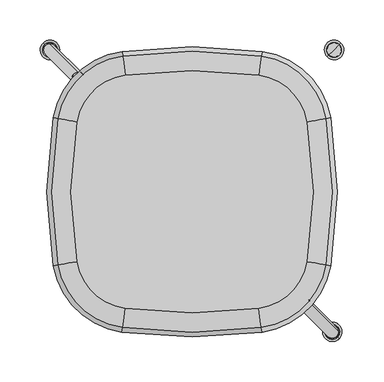
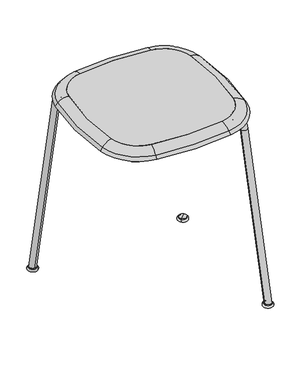
"""IFC4 building model written with IfcOpenShell, lengths in millimetres: furniture geometry."""

from ifc_helpers import new_model, si_unit, point, frame, frame_2d, origin, place, context, project, spatial, polyline, circle_curve, ellipse_curve, trimmed, segment, composite_curve, outline, extrude, source, transform, mapped, element, save
from ifc_brep_helpers import plane_surface, cylinder_surface, revolved_surface, advanced_brep


def furniture_9f4e836e(model_context):
    return source(origin(), model_context, "Body", "SolidModel", [
        extrude(outline(composite_curve([segment(trimmed(circle_curve(frame_2d((353.3430705, -0.0517762)), 503.5652092), [point((-142.6798177, -86.8804256))], [point((-142.6616259, 86.8807324))], False, "CARTESIAN"), True, "CONTINUOUS"), segment(trimmed(circle_curve(frame_2d((-72.7445454, 74.6266807)), 70.9828144), [point((-142.6616259, 86.8807324))], [point((-82.6892055, 144.9094216))], False, "CARTESIAN"), True, "CONTINUOUS"), segment(trimmed(circle_curve(frame_2d((0.015514, -439.5966644)), 590.3282436), [point((-82.6892055, 144.9094216))], [point((82.7202335, 144.9094216))], False, "CARTESIAN"), True, "CONTINUOUS"), segment(trimmed(circle_curve(frame_2d((72.7755734, 74.6266807)), 70.9828144), [point((82.7202335, 144.9094216))], [point((142.6926539, 86.8807324))], False, "CARTESIAN"), True, "CONTINUOUS"), segment(trimmed(circle_curve(frame_2d((-353.3120425, -0.0517762)), 503.5652092), [point((142.6926539, 86.8807324))], [point((142.7108457, -86.8804256))], False, "CARTESIAN"), True, "CONTINUOUS"), segment(trimmed(circle_curve(frame_2d((72.7912008, -74.6410139)), 70.9828144), [point((142.7108457, -86.8804256))], [point((82.7379969, -144.9234525))], False, "CARTESIAN"), True, "CONTINUOUS"), segment(trimmed(circle_curve(frame_2d((0.015514, 439.5801198)), 590.3282436), [point((82.7379969, -144.9234525))], [point((-82.7069689, -144.9234525))], False, "CARTESIAN"), True, "CONTINUOUS"), segment(trimmed(circle_curve(frame_2d((-72.7601728, -74.6410139)), 70.9828144), [point((-82.7069689, -144.9234525))], [point((-142.6798177, -86.8804256))], False, "CARTESIAN"), True, "CONTINUOUS")], self_intersect=False)), frame((0.0, 0.0, 464.9976849), z_axis=(0.0, 0.0, 1.0), x_axis=(1.0, 0.0, 0.0)), (0.0, 0.0, 1.0), 5.8841883),
        advanced_brep(
        [(85.4480497, -164.0722442, 456.7556558), (161.7607924, -90.2151127, 456.7556558), (167.1862386, -91.1648353, 449.4404949), (86.2198758, -169.5258416, 449.4404949), (83.1326925, -147.7123075, 464.9976849), (145.4853047, -87.3660937, 464.9976849), (82.7379969, -144.9234525, 470.8818732), (142.7108457, -86.8804256, 470.8818732), (142.7108457, -86.8804256, 464.9976849), (82.7379969, -144.9234525, 464.9976849), (86.0576622, -168.3796666, 459.975317), (166.0459801, -90.9652334, 459.975317), (86.9083619, -174.3905715, 452.882), (172.0258571, -92.012009, 452.882), (-85.4170217, -164.0722442, 456.7556558), (-86.1888478, -169.5258416, 449.4404949), (-83.1016645, -147.7123075, 464.9976849), (-82.7069689, -144.9234525, 470.8818732), (-82.7069689, -144.9234525, 464.9976849), (-86.0266342, -168.3796666, 459.975317), (-86.8773339, -174.3905715, 452.882), (-161.7297644, -90.2151127, 456.7556558), (-167.1552106, -91.1648353, 449.4404949), (-145.4542767, -87.3660937, 464.9976849), (-142.6798177, -86.8804256, 470.8818732), (-142.6798177, -86.8804256, 464.9976849), (-166.0149521, -90.9652334, 459.975317), (-171.9948291, -92.012009, 452.882), (-161.710874, 90.2194083, 456.7556558), (-167.1361213, 91.1702669, 449.4404949), (-145.4359833, 87.3669815, 464.9976849), (-142.6616259, 86.8807324, 470.8818732), (-142.6616259, 86.8807324, 464.9976849), (-165.9959046, 90.9704263, 459.975317), (-171.9755623, 92.0184539, 452.882), (-85.3986765, 164.0582956, 456.7556558), (-86.1703368, 169.5119164, 449.4404949), (-83.0838164, 147.6982885, 464.9976849), (-82.6892055, 144.9094216, 470.8818732), (-82.6892055, 144.9094216, 464.9976849), (-86.008158, 168.3657365, 459.975317), (-86.858675, 174.3766673, 452.882), (85.4297045, 164.0582956, 456.7556558), (86.2013648, 169.5119164, 449.4404949), (83.1148444, 147.6982885, 464.9976849), (82.7202335, 144.9094216, 470.8818732), (82.7202335, 144.9094216, 464.9976849), (86.039186, 168.3657365, 459.975317), (86.889703, 174.3766673, 452.882), (161.741902, 90.2194083, 456.7556558), (167.1671493, 91.1702669, 449.4404949), (145.4670112, 87.3669815, 464.9976849), (142.6926539, 86.8807324, 470.8818732), (142.6926539, 86.8807324, 464.9976849), (166.0269325, 90.9704263, 459.975317), (172.0065902, 92.0184539, 452.882)],
        [
            (0, 1, circle_curve(frame((72.7912008, -74.6410139, 456.7556558), z_axis=(0.0, 0.0, 1.0), x_axis=(0.9850221561837481, -0.17242781628008802, 0.0)), 90.3224268)),
            (1, 2),
            (2, 3, circle_curve(frame((72.7912008, -74.6410139, 449.4404949), z_axis=(0.0, 0.0, -1.0), x_axis=(0.9850221561837481, -0.17242781628008802, 0.0)), 95.8303701)),
            (3, 0),
            (4, 5, circle_curve(frame((72.7912008, -74.6410139, 464.9976849), z_axis=(0.0, 0.0, 1.0), x_axis=(0.9850221561837481, -0.17242781628008802, 0.0)), 73.7994607)),
            (5, 1, circle_curve(frame((145.4853047, -87.3660937, 444.3147045), z_axis=(0.17242781628008805, 0.9850221561837481, 0.0), x_axis=(0.9850221561837481, -0.17242781628008805, 0.0)), 20.6829804)),
            (0, 4, circle_curve(frame((83.1326925, -147.7123075, 444.3147045), z_axis=(-0.9901331651155495, -0.1401296376155459, 0.0), x_axis=(0.1401296376155459, -0.9901331651155495, 0.0)), 20.6829804)),
            (6, 7, circle_curve(frame((72.7912008, -74.6410139, 470.8818732), z_axis=(0.0, 0.0, 1.0), x_axis=(0.9850221561837481, -0.17242781628008802, 0.0)), 70.9828144)),
            (7, 8),
            (8, 9, circle_curve(frame((72.7912008, -74.6410139, 464.9976849), z_axis=(0.0, 0.0, -1.0), x_axis=(0.9850221561837481, -0.17242781628008802, 0.0)), 70.9828144)),
            (9, 6),
            (10, 11, circle_curve(frame((72.7912008, -74.6410139, 459.975317), z_axis=(0.0, 0.0, 1.0), x_axis=(0.9850221561837481, -0.17242781628008802, 0.0)), 94.6727733)),
            (11, 7, circle_curve(frame((142.7108457, -86.8804256, 439.7003018), z_axis=(-0.17242781628008805, -0.9850221561837481, 0.0), x_axis=(0.9850221561837481, -0.17242781628008805, 0.0)), 31.1815715)),
            (6, 10, circle_curve(frame((82.7379969, -144.9234525, 439.7003018), z_axis=(0.9901331651155482, 0.1401296376155543, 0.0), x_axis=(0.1401296376155543, -0.9901331651155482, 0.0)), 31.1815715)),
            (12, 13, circle_curve(frame((72.7912008, -74.6410139, 452.882), z_axis=(0.0, 0.0, 1.0), x_axis=(0.9850221561837481, -0.17242781628008802, 0.0)), 100.7435779)),
            (13, 11),
            (10, 12),
            (2, 13),
            (12, 3),
            (14, 0, circle_curve(frame((0.015514, 439.5801198, 456.7556558), z_axis=(0.0, 0.0, 1.0), x_axis=(0.14012963761551447, -0.9901331651155538, 0.0)), 609.6678561)),
            (3, 15, circle_curve(frame((0.015514, 439.5801198, 449.4404949), z_axis=(0.0, 0.0, -1.0), x_axis=(0.14012963761551447, -0.9901331651155538, 0.0)), 615.1757994)),
            (15, 14),
            (16, 4, circle_curve(frame((0.015514, 439.5801198, 464.9976849), z_axis=(0.0, 0.0, 1.0), x_axis=(0.14012963761551447, -0.9901331651155538, 0.0)), 593.14489)),
            (14, 16, circle_curve(frame((-83.1016645, -147.7123075, 444.3147045), z_axis=(-0.9901331651155546, 0.1401296376155089, 0.0), x_axis=(-0.1401296376155089, -0.9901331651155546, 0.0)), 20.6829804)),
            (17, 6, circle_curve(frame((0.015514, 439.5801198, 470.8818732), z_axis=(0.0, 0.0, 1.0), x_axis=(0.14012963761551447, -0.9901331651155538, 0.0)), 590.3282436)),
            (9, 18, circle_curve(frame((0.015514, 439.5801198, 464.9976849), z_axis=(0.0, 0.0, -1.0), x_axis=(0.14012963761551447, -0.9901331651155538, 0.0)), 590.3282436)),
            (18, 17),
            (19, 10, circle_curve(frame((0.015514, 439.5801198, 459.975317), z_axis=(0.0, 0.0, 1.0), x_axis=(0.14012963761551447, -0.9901331651155538, 0.0)), 614.0182026)),
            (17, 19, circle_curve(frame((-82.7069689, -144.9234525, 439.7003018), z_axis=(0.9901331651155547, -0.14012963761550745, 0.0), x_axis=(-0.14012963761550745, -0.9901331651155547, 0.0)), 31.1815715)),
            (20, 12, circle_curve(frame((0.015514, 439.5801198, 452.882), z_axis=(0.0, 0.0, 1.0), x_axis=(0.14012963761551447, -0.9901331651155538, 0.0)), 620.0890072)),
            (19, 20),
            (20, 15),
            (21, 14, circle_curve(frame((-72.7601728, -74.6410139, 456.7556558), z_axis=(0.0, 0.0, 1.0), x_axis=(-0.14012963761555394, -0.9901331651155483, 0.0)), 90.3224268)),
            (15, 22, circle_curve(frame((-72.7601728, -74.6410139, 449.4404949), z_axis=(0.0, 0.0, -1.0), x_axis=(-0.14012963761555394, -0.9901331651155483, 0.0)), 95.8303701)),
            (22, 21),
            (23, 16, circle_curve(frame((-72.7601728, -74.6410139, 464.9976849), z_axis=(0.0, 0.0, 1.0), x_axis=(-0.14012963761555394, -0.9901331651155483, 0.0)), 73.7994607)),
            (21, 23, circle_curve(frame((-145.4542767, -87.3660937, 444.3147045), z_axis=(-0.17242781628017315, 0.9850221561837332, 0.0), x_axis=(-0.9850221561837332, -0.17242781628017315, 0.0)), 20.6829804)),
            (24, 17, circle_curve(frame((-72.7601728, -74.6410139, 470.8818732), z_axis=(0.0, 0.0, 1.0), x_axis=(-0.14012963761555394, -0.9901331651155483, 0.0)), 70.9828144)),
            (18, 25, circle_curve(frame((-72.7601728, -74.6410139, 464.9976849), z_axis=(0.0, 0.0, -1.0), x_axis=(-0.14012963761555394, -0.9901331651155483, 0.0)), 70.9828144)),
            (25, 24),
            (26, 19, circle_curve(frame((-72.7601728, -74.6410139, 459.975317), z_axis=(0.0, 0.0, 1.0), x_axis=(-0.14012963761555394, -0.9901331651155483, 0.0)), 94.6727733)),
            (24, 26, circle_curve(frame((-142.6798177, -86.8804256, 439.7003018), z_axis=(0.17242781628018236, -0.9850221561837316, 0.0), x_axis=(-0.9850221561837316, -0.17242781628018236, 0.0)), 31.1815715)),
            (27, 20, circle_curve(frame((-72.7601728, -74.6410139, 452.882), z_axis=(0.0, 0.0, 1.0), x_axis=(-0.14012963761555394, -0.9901331651155483, 0.0)), 100.7435779)),
            (26, 27),
            (27, 22),
            (28, 21, circle_curve(frame((353.3430705, -0.0517762, 456.7556558), z_axis=(0.0, 0.0, 1.0), x_axis=(-0.9850221561837392, -0.17242781628013887, 0.0)), 522.9048216)),
            (22, 29, circle_curve(frame((353.3430705, -0.0517762, 449.4404949), z_axis=(0.0, 0.0, -1.0), x_axis=(-0.9850221561837392, -0.17242781628013887, 0.0)), 528.412765)),
            (29, 28),
            (30, 23, circle_curve(frame((353.3430705, -0.0517762, 464.9976849), z_axis=(0.0, 0.0, 1.0), x_axis=(-0.9850221561837392, -0.17242781628013887, 0.0)), 506.3818555)),
            (28, 30, circle_curve(frame((-145.4359833, 87.3669815, 444.3147045), z_axis=(0.1726340640499747, 0.9849860303220495, 0.0), x_axis=(-0.9849860303220495, 0.1726340640499747, 0.0)), 20.6829804)),
            (31, 24, circle_curve(frame((353.3430705, -0.0517762, 470.8818732), z_axis=(0.0, 0.0, 1.0), x_axis=(-0.9850221561837392, -0.17242781628013887, 0.0)), 503.5652092)),
            (25, 32, circle_curve(frame((353.3430705, -0.0517762, 464.9976849), z_axis=(0.0, 0.0, -1.0), x_axis=(-0.9850221561837392, -0.17242781628013887, 0.0)), 503.5652092)),
            (32, 31),
            (33, 26, circle_curve(frame((353.3430705, -0.0517762, 459.975317), z_axis=(0.0, 0.0, 1.0), x_axis=(-0.9850221561837392, -0.17242781628013887, 0.0)), 527.2551681)),
            (31, 33, circle_curve(frame((-142.6616259, 86.8807324, 439.7003018), z_axis=(-0.1726340640499735, -0.9849860303220497, 0.0), x_axis=(-0.9849860303220497, 0.1726340640499735, 0.0)), 31.1815715)),
            (34, 27, circle_curve(frame((353.3430705, -0.0517762, 452.882), z_axis=(0.0, 0.0, 1.0), x_axis=(-0.9850221561837392, -0.17242781628013887, 0.0)), 533.3259727)),
            (33, 34),
            (34, 29),
            (35, 28, circle_curve(frame((-72.7445454, 74.6266807, 456.7556558), z_axis=(0.0, 0.0, 1.0), x_axis=(-0.9849860303220442, 0.1726340640500041, 0.0)), 90.3224268)),
            (29, 36, circle_curve(frame((-72.7445454, 74.6266807, 449.4404949), z_axis=(0.0, 0.0, -1.0), x_axis=(-0.9849860303220442, 0.1726340640500041, 0.0)), 95.8303701)),
            (36, 35),
            (37, 30, circle_curve(frame((-72.7445454, 74.6266807, 464.9976849), z_axis=(0.0, 0.0, 1.0), x_axis=(-0.9849860303220442, 0.1726340640500041, 0.0)), 73.7994607)),
            (35, 37, circle_curve(frame((-83.0838164, 147.6982885, 444.3147045), z_axis=(0.9901374232519374, 0.1400995470228706, 0.0), x_axis=(-0.1400995470228706, 0.9901374232519374, 0.0)), 20.6829804)),
            (38, 31, circle_curve(frame((-72.7445454, 74.6266807, 470.8818732), z_axis=(0.0, 0.0, 1.0), x_axis=(-0.9849860303220442, 0.1726340640500041, 0.0)), 70.9828144)),
            (32, 39, circle_curve(frame((-72.7445454, 74.6266807, 464.9976849), z_axis=(0.0, 0.0, -1.0), x_axis=(-0.9849860303220442, 0.1726340640500041, 0.0)), 70.9828144)),
            (39, 38),
            (40, 33, circle_curve(frame((-72.7445454, 74.6266807, 459.975317), z_axis=(0.0, 0.0, 1.0), x_axis=(-0.9849860303220442, 0.1726340640500041, 0.0)), 94.6727733)),
            (38, 40, circle_curve(frame((-82.6892055, 144.9094216, 439.7003018), z_axis=(-0.9901374232519363, -0.14009954702287847, 0.0), x_axis=(-0.14009954702287847, 0.9901374232519363, 0.0)), 31.1815715)),
            (41, 34, circle_curve(frame((-72.7445454, 74.6266807, 452.882), z_axis=(0.0, 0.0, 1.0), x_axis=(-0.9849860303220442, 0.1726340640500041, 0.0)), 100.7435779)),
            (40, 41),
            (41, 36),
            (42, 35, circle_curve(frame((0.015514, -439.5966644, 456.7556558), z_axis=(0.0, 0.0, 1.0), x_axis=(-0.14009954702284055, 0.9901374232519418, 0.0)), 609.6678561)),
            (36, 43, circle_curve(frame((0.015514, -439.5966644, 449.4404949), z_axis=(0.0, 0.0, -1.0), x_axis=(-0.14009954702284055, 0.9901374232519418, 0.0)), 615.1757994)),
            (43, 42),
            (44, 37, circle_curve(frame((0.015514, -439.5966644, 464.9976849), z_axis=(0.0, 0.0, 1.0), x_axis=(-0.14009954702284055, 0.9901374232519418, 0.0)), 593.14489)),
            (42, 44, circle_curve(frame((83.1148444, 147.6982885, 444.3147045), z_axis=(0.9901374232519425, -0.14009954702283503, 0.0), x_axis=(0.14009954702283503, 0.9901374232519425, 0.0)), 20.6829804)),
            (45, 38, circle_curve(frame((0.015514, -439.5966644, 470.8818732), z_axis=(0.0, 0.0, 1.0), x_axis=(-0.14009954702284055, 0.9901374232519418, 0.0)), 590.3282436)),
            (39, 46, circle_curve(frame((0.015514, -439.5966644, 464.9976849), z_axis=(0.0, 0.0, -1.0), x_axis=(-0.14009954702284055, 0.9901374232519418, 0.0)), 590.3282436)),
            (46, 45),
            (47, 40, circle_curve(frame((0.015514, -439.5966644, 459.975317), z_axis=(0.0, 0.0, 1.0), x_axis=(-0.14009954702284055, 0.9901374232519418, 0.0)), 614.0182026)),
            (45, 47, circle_curve(frame((82.7202335, 144.9094216, 439.7003018), z_axis=(-0.9901374232519422, 0.14009954702283683, 0.0), x_axis=(0.14009954702283683, 0.9901374232519422, 0.0)), 31.1815715)),
            (48, 41, circle_curve(frame((0.015514, -439.5966644, 452.882), z_axis=(0.0, 0.0, 1.0), x_axis=(-0.14009954702284055, 0.9901374232519418, 0.0)), 620.0890072)),
            (47, 48),
            (48, 43),
            (49, 42, circle_curve(frame((72.7755734, 74.6266807, 456.7556558), z_axis=(0.0, 0.0, 1.0), x_axis=(0.1400995470227848, 0.9901374232519496, 0.0)), 90.3224268)),
            (43, 50, circle_curve(frame((72.7755734, 74.6266807, 449.4404949), z_axis=(0.0, 0.0, -1.0), x_axis=(0.1400995470227848, 0.9901374232519496, 0.0)), 95.8303701)),
            (50, 49),
            (51, 44, circle_curve(frame((72.7755734, 74.6266807, 464.9976849), z_axis=(0.0, 0.0, 1.0), x_axis=(0.1400995470227848, 0.9901374232519496, 0.0)), 73.7994607)),
            (49, 51, circle_curve(frame((145.4670112, 87.3669815, 444.3147045), z_axis=(0.17263406405000353, -0.9849860303220442, 0.0), x_axis=(0.9849860303220442, 0.17263406405000353, 0.0)), 20.6829804)),
            (52, 45, circle_curve(frame((72.7755734, 74.6266807, 470.8818732), z_axis=(0.0, 0.0, 1.0), x_axis=(0.1400995470227848, 0.9901374232519496, 0.0)), 70.9828144)),
            (46, 53, circle_curve(frame((72.7755734, 74.6266807, 464.9976849), z_axis=(0.0, 0.0, -1.0), x_axis=(0.1400995470227848, 0.9901374232519496, 0.0)), 70.9828144)),
            (53, 52),
            (54, 47, circle_curve(frame((72.7755734, 74.6266807, 459.975317), z_axis=(0.0, 0.0, 1.0), x_axis=(0.1400995470227848, 0.9901374232519496, 0.0)), 94.6727733)),
            (52, 54, circle_curve(frame((142.6926539, 86.8807324, 439.7003018), z_axis=(-0.17263406405001167, 0.9849860303220429, 0.0), x_axis=(0.9849860303220429, 0.17263406405001167, 0.0)), 31.1815715)),
            (55, 48, circle_curve(frame((72.7755734, 74.6266807, 452.882), z_axis=(0.0, 0.0, 1.0), x_axis=(0.1400995470227848, 0.9901374232519496, 0.0)), 100.7435779)),
            (54, 55),
            (55, 50),
            (1, 49, circle_curve(frame((-353.3120425, -0.0517762, 456.7556558), z_axis=(0.0, 0.0, 1.0), x_axis=(0.9849860303220497, 0.17263406404997295, 0.0)), 522.9048216)),
            (50, 2, circle_curve(frame((-353.3120425, -0.0517762, 449.4404949), z_axis=(0.0, 0.0, -1.0), x_axis=(0.9849860303220497, 0.17263406404997295, 0.0)), 528.412765)),
            (5, 51, circle_curve(frame((-353.3120425, -0.0517762, 464.9976849), z_axis=(0.0, 0.0, 1.0), x_axis=(0.9849860303220497, 0.17263406404997295, 0.0)), 506.3818555)),
            (8, 53, circle_curve(frame((-353.3120425, -0.0517762, 464.9976849), z_axis=(0.0, 0.0, 1.0), x_axis=(0.9849860303220497, 0.17263406404997295, 0.0)), 503.5652092)),
            (7, 52, circle_curve(frame((-353.3120425, -0.0517762, 470.8818732), z_axis=(0.0, 0.0, 1.0), x_axis=(0.9849860303220497, 0.17263406404997295, 0.0)), 503.5652092)),
            (11, 54, circle_curve(frame((-353.3120425, -0.0517762, 459.975317), z_axis=(0.0, 0.0, 1.0), x_axis=(0.9849860303220497, 0.17263406404997295, 0.0)), 527.2551681)),
            (13, 55, circle_curve(frame((-353.3120425, -0.0517762, 452.882), z_axis=(0.0, 0.0, 1.0), x_axis=(0.9849860303220497, 0.17263406404997295, 0.0)), 533.3259727)),
        ],
        [
            revolved_surface(polyline([(167.1862386, -91.1648353, 449.4404949), (161.7607924, -90.2151127, 456.7556558)]), (72.7912008, -74.6410139, 452.882), (0.0, 0.0, -1.0)),
            revolved_surface(trimmed(ellipse_curve(frame((145.4853047, -87.3660937, 444.3147045), z_axis=(-0.17242781628008805, -0.9850221561837481, 0.0), x_axis=(0.9850221561837481, -0.17242781628008805, 0.0)), 20.6829804, 20.6829804), [point((161.7607924, -90.2151127, 456.7556558))], [point((145.4853047, -87.3660937, 464.9976849))], True, "CARTESIAN"), (72.7912008, -74.6410139, 452.882), (0.0, 0.0, -1.0)),
            revolved_surface(polyline([(142.71084569227878, -86.8804255804068, 464.9976849), (142.71084569227878, -86.8804255804068, 470.8818732)]), (72.7912008, -74.6410139, 452.882), (0.0, 0.0, -1.0)),
            revolved_surface(trimmed(ellipse_curve(frame((142.7108457, -86.8804256, 439.7003018), z_axis=(0.17242781628008805, 0.9850221561837481, 0.0), x_axis=(0.9850221561837481, -0.17242781628008805, 0.0)), 31.1815715, 31.1815715), [point((142.7108457, -86.8804256, 470.8818732))], [point((166.0459801, -90.9652334, 459.975317))], True, "CARTESIAN"), (72.7912008, -74.6410139, 452.882), (0.0, 0.0, -1.0)),
            revolved_surface(polyline([(166.0459801, -90.9652334, 459.975317), (172.0258571, -92.012009, 452.882)]), (72.7912008, -74.6410139, 452.882), (0.0, 0.0, -1.0)),
            revolved_surface(polyline([(172.0258571, -92.012009, 452.882), (167.1862386, -91.1648353, 449.4404949)]), (72.7912008, -74.6410139, 452.882), (0.0, 0.0, -1.0)),
            revolved_surface(polyline([(86.2198758, -169.5258416, 449.4404949), (85.4480497, -164.0722442, 456.7556558)]), (0.015514, 439.5801198, 452.882), (0.0, 0.0, -1.0)),
            revolved_surface(trimmed(ellipse_curve(frame((83.1326925, -147.7123075, 444.3147045), z_axis=(-0.9901331651155538, -0.14012963761551447, 0.0), x_axis=(0.14012963761551447, -0.9901331651155538, 0.0)), 20.6829804, 20.6829804), [point((85.4480497, -164.0722442, 456.7556558))], [point((83.1326925, -147.7123075, 464.9976849))], True, "CARTESIAN"), (0.015514, 439.5801198, 452.882), (0.0, 0.0, -1.0)),
            revolved_surface(polyline([(82.73799684987114, -144.9234524927736, 464.9976849), (82.73799684987114, -144.9234524927736, 470.8818732)]), (0.015514, 439.5801198, 452.882), (0.0, 0.0, -1.0)),
            revolved_surface(trimmed(ellipse_curve(frame((82.7379969, -144.9234525, 439.7003018), z_axis=(0.9901331651155538, 0.14012963761551447, 0.0), x_axis=(0.14012963761551447, -0.9901331651155538, 0.0)), 31.1815715, 31.1815715), [point((82.7379969, -144.9234525, 470.8818732))], [point((86.0576622, -168.3796666, 459.975317))], True, "CARTESIAN"), (0.015514, 439.5801198, 452.882), (0.0, 0.0, -1.0)),
            revolved_surface(polyline([(86.0576622, -168.3796666, 459.975317), (86.9083619, -174.3905715, 452.882)]), (0.015514, 439.5801198, 452.882), (0.0, 0.0, -1.0)),
            revolved_surface(polyline([(86.9083619, -174.3905715, 452.882), (86.2198758, -169.5258416, 449.4404949)]), (0.015514, 439.5801198, 452.882), (0.0, 0.0, -1.0)),
            revolved_surface(polyline([(-86.1888478, -169.5258416, 449.4404949), (-85.4170217, -164.0722442, 456.7556558)]), (-72.7601728, -74.6410139, 452.882), (0.0, 0.0, -1.0)),
            revolved_surface(trimmed(ellipse_curve(frame((-83.1016645, -147.7123075, 444.3147045), z_axis=(-0.9901331651155483, 0.140129637615554, 0.0), x_axis=(-0.140129637615554, -0.9901331651155483, 0.0)), 20.6829804, 20.6829804), [point((-85.4170217, -164.0722442, 456.7556558))], [point((-83.1016645, -147.7123075, 464.9976849))], True, "CARTESIAN"), (-72.7601728, -74.6410139, 452.882), (0.0, 0.0, -1.0)),
            revolved_surface(polyline([(-82.70696885880413, -144.9234525906815, 464.9976849), (-82.70696885880413, -144.9234525906815, 470.8818732)]), (-72.7601728, -74.6410139, 452.882), (0.0, 0.0, -1.0)),
            revolved_surface(trimmed(ellipse_curve(frame((-82.7069689, -144.9234525, 439.7003018), z_axis=(0.9901331651155483, -0.140129637615554, 0.0), x_axis=(-0.140129637615554, -0.9901331651155483, 0.0)), 31.1815715, 31.1815715), [point((-82.7069689, -144.9234525, 470.8818732))], [point((-86.0266342, -168.3796666, 459.975317))], True, "CARTESIAN"), (-72.7601728, -74.6410139, 452.882), (0.0, 0.0, -1.0)),
            revolved_surface(polyline([(-86.0266342, -168.3796666, 459.975317), (-86.8773339, -174.3905715, 452.882)]), (-72.7601728, -74.6410139, 452.882), (0.0, 0.0, -1.0)),
            revolved_surface(polyline([(-86.8773339, -174.3905715, 452.882), (-86.1888478, -169.5258416, 449.4404949)]), (-72.7601728, -74.6410139, 452.882), (0.0, 0.0, -1.0)),
            revolved_surface(polyline([(-167.1552106, -91.1648353, 449.4404949), (-161.7297644, -90.2151127, 456.7556558)]), (353.3430705, -0.0517762, 452.882), (0.0, 0.0, -1.0)),
            revolved_surface(trimmed(ellipse_curve(frame((-145.4542767, -87.3660937, 444.3147045), z_axis=(-0.17242781628013873, 0.9850221561837392, 0.0), x_axis=(-0.9850221561837392, -0.17242781628013873, 0.0)), 20.6829804, 20.6829804), [point((-161.7297644, -90.2151127, 456.7556558))], [point((-145.4542767, -87.3660937, 464.9976849))], True, "CARTESIAN"), (353.3430705, -0.0517762, 452.882), (0.0, 0.0, -1.0)),
            revolved_surface(polyline([(-142.67981764529975, -86.8804255770073, 464.9976849), (-142.67981764529975, -86.8804255770073, 470.8818732)]), (353.3430705, -0.0517762, 452.882), (0.0, 0.0, -1.0)),
            revolved_surface(trimmed(ellipse_curve(frame((-142.6798177, -86.8804256, 439.7003018), z_axis=(0.17242781628013873, -0.9850221561837392, 0.0), x_axis=(-0.9850221561837392, -0.17242781628013873, 0.0)), 31.1815715, 31.1815715), [point((-142.6798177, -86.8804256, 470.8818732))], [point((-166.0149521, -90.9652334, 459.975317))], True, "CARTESIAN"), (353.3430705, -0.0517762, 452.882), (0.0, 0.0, -1.0)),
            revolved_surface(polyline([(-166.0149521, -90.9652334, 459.975317), (-171.9948291, -92.012009, 452.882)]), (353.3430705, -0.0517762, 452.882), (0.0, 0.0, -1.0)),
            revolved_surface(polyline([(-171.9948291, -92.012009, 452.882), (-167.1552106, -91.1648353, 449.4404949)]), (353.3430705, -0.0517762, 452.882), (0.0, 0.0, -1.0)),
            revolved_surface(polyline([(-167.1361213, 91.1702669, 449.4404949), (-161.710874, 90.2194083, 456.7556558)]), (-72.7445454, 74.6266807, 452.882), (0.0, 0.0, -1.0)),
            revolved_surface(trimmed(ellipse_curve(frame((-145.4359833, 87.3669815, 444.3147045), z_axis=(0.1726340640500042, 0.9849860303220442, 0.0), x_axis=(-0.9849860303220442, 0.1726340640500042, 0.0)), 20.6829804, 20.6829804), [point((-161.710874, 90.2194083, 456.7556558))], [point((-145.4359833, 87.3669815, 464.9976849))], True, "CARTESIAN"), (-72.7445454, 74.6266807, 452.882), (0.0, 0.0, -1.0)),
            revolved_surface(polyline([(-142.66162597694245, 86.88073242757915, 464.9976849), (-142.66162597694245, 86.88073242757915, 470.8818732)]), (-72.7445454, 74.6266807, 452.882), (0.0, 0.0, -1.0)),
            revolved_surface(trimmed(ellipse_curve(frame((-142.6616259, 86.8807324, 439.7003018), z_axis=(-0.1726340640500042, -0.9849860303220442, 0.0), x_axis=(-0.9849860303220442, 0.1726340640500042, 0.0)), 31.1815715, 31.1815715), [point((-142.6616259, 86.8807324, 470.8818732))], [point((-165.9959046, 90.9704263, 459.975317))], True, "CARTESIAN"), (-72.7445454, 74.6266807, 452.882), (0.0, 0.0, -1.0)),
            revolved_surface(polyline([(-165.9959046, 90.9704263, 459.975317), (-171.9755623, 92.0184539, 452.882)]), (-72.7445454, 74.6266807, 452.882), (0.0, 0.0, -1.0)),
            revolved_surface(polyline([(-171.9755623, 92.0184539, 452.882), (-167.1361213, 91.1702669, 449.4404949)]), (-72.7445454, 74.6266807, 452.882), (0.0, 0.0, -1.0)),
            revolved_surface(polyline([(-86.1703368, 169.5119164, 449.4404949), (-85.3986765, 164.0582956, 456.7556558)]), (0.015514, -439.5966644, 452.882), (0.0, 0.0, -1.0)),
            revolved_surface(trimmed(ellipse_curve(frame((-83.0838164, 147.6982885, 444.3147045), z_axis=(0.9901374232519418, 0.14009954702284047, 0.0), x_axis=(-0.14009954702284047, 0.9901374232519418, 0.0)), 20.6829804, 20.6829804), [point((-85.3986765, 164.0582956, 456.7556558))], [point((-83.0838164, 147.6982885, 464.9976849))], True, "CARTESIAN"), (0.015514, -439.5966644, 452.882), (0.0, 0.0, -1.0)),
            revolved_surface(polyline([(-82.68920552314907, 144.90942159094857, 464.9976849), (-82.68920552314907, 144.90942159094857, 470.8818732)]), (0.015514, -439.5966644, 452.882), (0.0, 0.0, -1.0)),
            revolved_surface(trimmed(ellipse_curve(frame((-82.6892055, 144.9094216, 439.7003018), z_axis=(-0.9901374232519418, -0.14009954702284047, 0.0), x_axis=(-0.14009954702284047, 0.9901374232519418, 0.0)), 31.1815715, 31.1815715), [point((-82.6892055, 144.9094216, 470.8818732))], [point((-86.008158, 168.3657365, 459.975317))], True, "CARTESIAN"), (0.015514, -439.5966644, 452.882), (0.0, 0.0, -1.0)),
            revolved_surface(polyline([(-86.008158, 168.3657365, 459.975317), (-86.858675, 174.3766673, 452.882)]), (0.015514, -439.5966644, 452.882), (0.0, 0.0, -1.0)),
            revolved_surface(polyline([(-86.858675, 174.3766673, 452.882), (-86.1703368, 169.5119164, 449.4404949)]), (0.015514, -439.5966644, 452.882), (0.0, 0.0, -1.0)),
            revolved_surface(polyline([(86.2013648, 169.5119164, 449.4404949), (85.4297045, 164.0582956, 456.7556558)]), (72.7755734, 74.6266807, 452.882), (0.0, 0.0, -1.0)),
            revolved_surface(trimmed(ellipse_curve(frame((83.1148444, 147.6982885, 444.3147045), z_axis=(0.9901374232519496, -0.14009954702278485, 0.0), x_axis=(0.14009954702278485, 0.9901374232519496, 0.0)), 20.6829804, 20.6829804), [point((85.4297045, 164.0582956, 456.7556558))], [point((83.1148444, 147.6982885, 464.9976849))], True, "CARTESIAN"), (72.7755734, 74.6266807, 452.882), (0.0, 0.0, -1.0)),
            revolved_surface(polyline([(82.7202335438424, 144.90942164518736, 464.9976849), (82.7202335438424, 144.90942164518736, 470.8818732)]), (72.7755734, 74.6266807, 452.882), (0.0, 0.0, -1.0)),
            revolved_surface(trimmed(ellipse_curve(frame((82.7202335, 144.9094216, 439.7003018), z_axis=(-0.9901374232519496, 0.14009954702278485, 0.0), x_axis=(0.14009954702278485, 0.9901374232519496, 0.0)), 31.1815715, 31.1815715), [point((82.7202335, 144.9094216, 470.8818732))], [point((86.039186, 168.3657365, 459.975317))], True, "CARTESIAN"), (72.7755734, 74.6266807, 452.882), (0.0, 0.0, -1.0)),
            revolved_surface(polyline([(86.039186, 168.3657365, 459.975317), (86.889703, 174.3766673, 452.882)]), (72.7755734, 74.6266807, 452.882), (0.0, 0.0, -1.0)),
            revolved_surface(polyline([(86.889703, 174.3766673, 452.882), (86.2013648, 169.5119164, 449.4404949)]), (72.7755734, 74.6266807, 452.882), (0.0, 0.0, -1.0)),
            revolved_surface(polyline([(167.1671493, 91.1702669, 449.4404949), (161.741902, 90.2194083, 456.7556558)]), (-353.3120425, -0.0517762, 452.882), (0.0, 0.0, -1.0)),
            revolved_surface(trimmed(ellipse_curve(frame((145.4670112, 87.3669815, 444.3147045), z_axis=(0.17263406404997292, -0.9849860303220497, 0.0), x_axis=(0.9849860303220497, 0.17263406404997292, 0.0)), 20.6829804, 20.6829804), [point((161.741902, 90.2194083, 456.7556558))], [point((145.4670112, 87.3669815, 464.9976849))], True, "CARTESIAN"), (-353.3120425, -0.0517762, 452.882), (0.0, 0.0, -1.0)),
            plane_surface(frame((-353.3120425, -0.0517762, 464.9976849), z_axis=(0.0, 0.0, -1.0), x_axis=(0.9849860303220498, 0.17263406404997297, 0.0))),
            revolved_surface(polyline([(142.6926539182005, 86.88073237837082, 464.9976849), (142.6926539182005, 86.88073237837082, 470.8818732)]), (-353.3120425, -0.0517762, 452.882), (0.0, 0.0, -1.0)),
            revolved_surface(trimmed(ellipse_curve(frame((142.6926539, 86.8807324, 439.7003018), z_axis=(-0.17263406404997292, 0.9849860303220497, 0.0), x_axis=(0.9849860303220497, 0.17263406404997292, 0.0)), 31.1815715, 31.1815715), [point((142.6926539, 86.8807324, 470.8818732))], [point((166.0269325, 90.9704263, 459.975317))], True, "CARTESIAN"), (-353.3120425, -0.0517762, 452.882), (0.0, 0.0, -1.0)),
            revolved_surface(polyline([(166.0269325, 90.9704263, 459.975317), (172.0065902, 92.0184539, 452.882)]), (-353.3120425, -0.0517762, 452.882), (0.0, 0.0, -1.0)),
            revolved_surface(polyline([(172.0065902, 92.0184539, 452.882), (167.1671493, 91.1702669, 449.4404949)]), (-353.3120425, -0.0517762, 452.882), (0.0, 0.0, -1.0)),
        ],
        [
            (0, [[1, 2, 3, 4]]),
            (1, [[5, 6, -1, 7]]),
            (2, [[8, 9, 10, 11]]),
            (3, [[12, 13, -8, 14]]),
            (4, [[15, 16, -12, 17]]),
            (5, [[-3, 18, -15, 19]]),
            (6, [[20, -4, 21, 22]]),
            (7, [[23, -7, -20, 24]]),
            (8, [[25, -11, 26, 27]]),
            (9, [[28, -14, -25, 29]]),
            (10, [[30, -17, -28, 31]]),
            (11, [[-21, -19, -30, 32]]),
            (12, [[33, -22, 34, 35]]),
            (13, [[36, -24, -33, 37]]),
            (14, [[38, -27, 39, 40]]),
            (15, [[41, -29, -38, 42]]),
            (16, [[43, -31, -41, 44]]),
            (17, [[-34, -32, -43, 45]]),
            (18, [[46, -35, 47, 48]]),
            (19, [[49, -37, -46, 50]]),
            (20, [[51, -40, 52, 53]]),
            (21, [[54, -42, -51, 55]]),
            (22, [[56, -44, -54, 57]]),
            (23, [[-47, -45, -56, 58]]),
            (24, [[59, -48, 60, 61]]),
            (25, [[62, -50, -59, 63]]),
            (26, [[64, -53, 65, 66]]),
            (27, [[67, -55, -64, 68]]),
            (28, [[69, -57, -67, 70]]),
            (29, [[-60, -58, -69, 71]]),
            (30, [[72, -61, 73, 74]]),
            (31, [[75, -63, -72, 76]]),
            (32, [[77, -66, 78, 79]]),
            (33, [[80, -68, -77, 81]]),
            (34, [[82, -70, -80, 83]]),
            (35, [[-73, -71, -82, 84]]),
            (36, [[85, -74, 86, 87]]),
            (37, [[88, -76, -85, 89]]),
            (38, [[90, -79, 91, 92]]),
            (39, [[93, -81, -90, 94]]),
            (40, [[95, -83, -93, 96]]),
            (41, [[-86, -84, -95, 97]]),
            (42, [[98, -87, 99, -2]]),
            (43, [[100, -89, -98, -6]]),
            (44, [[-75, -88, -100, -5, -23, -36, -49, -62], [101, -91, -78, -65, -52, -39, -26, -10]]),
            (45, [[102, -92, -101, -9]]),
            (46, [[103, -94, -102, -13]]),
            (47, [[104, -96, -103, -16]]),
            (48, [[-99, -97, -104, -18]]),
        ],
    ),
        advanced_brep(
        [(-169.934449, 169.9663901, 7.0000593), (-182.6635544, 182.6954955, 7.0000593), (-182.8493783, 182.8813194, 5.5096764), (-169.7486251, 169.7805661, 5.5096764), (-182.8493783, 182.8813194, 0.0), (-169.7486251, 169.7805661, 0.0), (-176.2990017, 176.3309428, 0.0), (-176.2990017, 176.3309428, 7.0000593)],
        [
            (0, 1, circle_curve(frame((-176.2990017, 176.3309428, 7.0000593), z_axis=(0.0, 0.0, -1.0), x_axis=(-0.7071067811865506, 0.7071067811865445, 0.0)), 9.0008368)),
            (1, 2, circle_curve(frame((-186.6078241, 186.6397652, 7.2152579), z_axis=(0.7071067811865445, 0.7071067811865506, 0.0), x_axis=(-0.7071067811865506, 0.7071067811865445, 0.0)), 5.5821893)),
            (2, 3, circle_curve(frame((-176.2990017, 176.3309428, 5.5096764), z_axis=(0.0, 0.0, 1.0), x_axis=(-0.7071067811865506, 0.7071067811865445, 0.0)), 9.2636315)),
            (3, 0, circle_curve(frame((-165.9901793, 166.0221204, 7.2152579), z_axis=(0.7071067811865468, 0.7071067811865482, 0.0), x_axis=(0.7071067811865482, -0.7071067811865468, 0.0)), 5.5821893)),
            (1, 0, circle_curve(frame((-176.2990017, 176.3309428, 7.0000593), z_axis=(0.0, 0.0, -1.0), x_axis=(-0.7071067811865506, 0.7071067811865445, 0.0)), 9.0008368)),
            (3, 2, circle_curve(frame((-176.2990017, 176.3309428, 5.5096764), z_axis=(0.0, 0.0, 1.0), x_axis=(-0.7071067811865506, 0.7071067811865445, 0.0)), 9.2636315)),
            (2, 4, circle_curve(frame((-182.8493783, 182.8813194, 2.7548382), z_axis=(-0.7071067811865445, -0.7071067811865506, 0.0), x_axis=(-0.7071067811865506, 0.7071067811865445, 0.0)), 2.7548382)),
            (4, 5, circle_curve(frame((-176.2990017, 176.3309428, 0.0), z_axis=(0.0, 0.0, 1.0), x_axis=(-0.7071067811865506, 0.7071067811865445, 0.0)), 9.2636315)),
            (5, 3, circle_curve(frame((-169.7486251, 169.7805661, 2.7548382), z_axis=(-0.7071067811865468, -0.7071067811865482, 0.0), x_axis=(0.7071067811865482, -0.7071067811865468, 0.0)), 2.7548382)),
            (5, 4, circle_curve(frame((-176.2990017, 176.3309428, 0.0), z_axis=(0.0, 0.0, 1.0), x_axis=(-0.7071067811865506, 0.7071067811865445, 0.0)), 9.2636315)),
            (4, 6),
            (6, 5),
            (7, 1),
            (0, 7),
        ],
        [
            revolved_surface(trimmed(ellipse_curve(frame((-186.6078241, 186.6397652, 7.2152579), z_axis=(-0.7071067811865445, -0.7071067811865506, 0.0), x_axis=(-0.7071067811865506, 0.7071067811865445, 0.0)), 5.5821893, 5.5821893), [point((-182.8493783, 182.8813194, 5.5096764))], [point((-182.6635544, 182.6954955, 7.0000593))], True, "CARTESIAN"), (-176.2990017, 176.3309428, 7.0000593), (0.0, 0.0, 1.0)),
            revolved_surface(trimmed(ellipse_curve(frame((-182.8493783, 182.8813194, 2.7548382), z_axis=(0.7071067811865445, 0.7071067811865506, 0.0), x_axis=(-0.7071067811865506, 0.7071067811865445, 0.0)), 2.7548382, 2.7548382), [point((-182.8493783, 182.8813194, 0.0))], [point((-182.8493783, 182.8813194, 5.5096764))], True, "CARTESIAN"), (-176.2990017, 176.3309428, 7.0000593), (0.0, 0.0, 1.0)),
            plane_surface(frame((-176.2990017, 176.3309428, 0.0), z_axis=(0.0, 0.0, -1.0), x_axis=(-0.7071067811865506, 0.7071067811865445, 0.0))),
            plane_surface(frame((-176.2990017, 176.3309428, 7.0000593), z_axis=(0.0, 0.0, 1.0), x_axis=(-0.7071067811865506, 0.7071067811865445, 0.0))),
        ],
        [
            (0, [[1, 2, 3, 4]]),
            (0, [[5, -4, 6, -2]]),
            (1, [[-3, 7, 8, 9]]),
            (1, [[-6, -9, 10, -7]]),
            (2, [[-8, 11, 12]]),
            (2, [[-10, -12, -11]]),
            (3, [[13, -1, 14]]),
            (3, [[-14, -5, -13]]),
        ],
    ),
        advanced_brep(
        [(167.5264341, -167.494493, 5.5096764), (180.6271874, -180.5952463, 5.5096764), (180.4413635, -180.4094224, 7.0000593), (167.712258, -167.680317, 7.0000593), (167.5264341, -167.494493, 0.0), (180.6271874, -180.5952463, 0.0), (174.0768107, -174.0448697, 0.0), (174.0768107, -174.0448697, 7.0000593)],
        [
            (0, 1, circle_curve(frame((174.0768107, -174.0448697, 5.5096764), z_axis=(0.0, 0.0, 1.0), x_axis=(0.7071067811865459, -0.7071067811865491, 0.0)), 9.2636315)),
            (1, 2, circle_curve(frame((184.3856332, -184.3536921, 7.2152579), z_axis=(0.7071067811865491, 0.7071067811865459, 0.0), x_axis=(0.7071067811865459, -0.7071067811865491, 0.0)), 5.5821893)),
            (2, 3, circle_curve(frame((174.0768107, -174.0448697, 7.0000593), z_axis=(0.0, 0.0, -1.0), x_axis=(0.7071067811865459, -0.7071067811865491, 0.0)), 9.0008368)),
            (3, 0, circle_curve(frame((163.7679883, -163.7360473, 7.2152579), z_axis=(0.7071067811865468, 0.7071067811865482, 0.0), x_axis=(-0.7071067811865482, 0.7071067811865468, 0.0)), 5.5821893)),
            (1, 0, circle_curve(frame((174.0768107, -174.0448697, 5.5096764), z_axis=(0.0, 0.0, 1.0), x_axis=(0.7071067811865459, -0.7071067811865491, 0.0)), 9.2636315)),
            (3, 2, circle_curve(frame((174.0768107, -174.0448697, 7.0000593), z_axis=(0.0, 0.0, -1.0), x_axis=(0.7071067811865459, -0.7071067811865491, 0.0)), 9.0008368)),
            (4, 5, circle_curve(frame((174.0768107, -174.0448697, 0.0), z_axis=(0.0, 0.0, 1.0), x_axis=(0.7071067811865459, -0.7071067811865491, 0.0)), 9.2636315)),
            (5, 1, circle_curve(frame((180.6271874, -180.5952463, 2.7548382), z_axis=(-0.7071067811865491, -0.7071067811865459, 0.0), x_axis=(0.7071067811865459, -0.7071067811865491, 0.0)), 2.7548382)),
            (0, 4, circle_curve(frame((167.5264341, -167.494493, 2.7548382), z_axis=(-0.7071067811865468, -0.7071067811865482, 0.0), x_axis=(-0.7071067811865482, 0.7071067811865468, 0.0)), 2.7548382)),
            (5, 4, circle_curve(frame((174.0768107, -174.0448697, 0.0), z_axis=(0.0, 0.0, 1.0), x_axis=(0.7071067811865459, -0.7071067811865491, 0.0)), 9.2636315)),
            (6, 5),
            (4, 6),
            (2, 7),
            (7, 3),
        ],
        [
            revolved_surface(trimmed(ellipse_curve(frame((184.3856332, -184.3536921, 7.2152579), z_axis=(-0.7071067811865491, -0.7071067811865459, 0.0), x_axis=(0.7071067811865459, -0.7071067811865491, 0.0)), 5.5821893, 5.5821893), [point((180.4413635, -180.4094224, 7.0000593))], [point((180.6271874, -180.5952463, 5.5096764))], True, "CARTESIAN"), (174.0768107, -174.0448697, 7.0000593), (0.0, 0.0, -1.0)),
            revolved_surface(trimmed(ellipse_curve(frame((180.6271874, -180.5952463, 2.7548382), z_axis=(0.7071067811865491, 0.7071067811865459, 0.0), x_axis=(0.7071067811865459, -0.7071067811865491, 0.0)), 2.7548382, 2.7548382), [point((180.6271874, -180.5952463, 5.5096764))], [point((180.6271874, -180.5952463, 0.0))], True, "CARTESIAN"), (174.0768107, -174.0448697, 7.0000593), (0.0, 0.0, -1.0)),
            plane_surface(frame((174.0768107, -174.0448697, 0.0), z_axis=(0.0, 0.0, -1.0), x_axis=(0.7071067811865459, -0.7071067811865491, 0.0))),
            plane_surface(frame((174.0768107, -174.0448697, 7.0000593), z_axis=(0.0, 0.0, 1.0), x_axis=(0.7071067811865459, -0.7071067811865491, 0.0))),
        ],
        [
            (0, [[1, 2, 3, 4]]),
            (0, [[5, -4, 6, -2]]),
            (1, [[7, 8, -1, 9]]),
            (1, [[10, -9, -5, -8]]),
            (2, [[11, -7, 12]]),
            (2, [[-12, -10, -11]]),
            (3, [[-3, 13, 14]]),
            (3, [[-6, -14, -13]]),
        ],
    ),
        advanced_brep(
        [(166.4559404, -174.2326671, 4.0492153), (181.9899106, -174.1491564, 5.3407786), (131.0391413, -138.815868, 427.7263453), (146.5731115, -138.7323573, 429.0179086), (62.6802374, -54.8394833, 454.2221716), (117.1063176, -109.2655634, 461.6001419), (110.2747626, -118.0514893, 450.686082), (55.3781391, -63.1548658, 443.2443251), (-57.0852153, 64.9259694, 454.2221716), (-65.4005978, 57.6238711, 443.2443251), (-111.5790679, 119.419822, 461.6122815), (-120.3655797, 112.588853, 450.6983266), (-176.5491999, 168.7724733, 4.0492164), (-176.4656893, 184.3064434, 5.3407797), (-141.1313564, 133.3546297, 427.7388403), (-141.0478457, 148.8885999, 429.0304036)],
        [
            (0, 1, circle_curve(frame((174.2229255, -174.1909118, 4.694997), z_axis=(0.08301574672294262, -0.08301574672294297, -0.993084473542943), x_axis=(0.9965470175569706, 0.0053574399722598155, 0.08285734508931952)), 7.7938973)),
            (1, 0, circle_curve(frame((174.2229255, -174.1909118, 4.694997), z_axis=(0.08301574672294262, -0.08301574672294297, -0.993084473542943), x_axis=(0.9965470175569706, 0.0053574399722598155, 0.08285734508931952)), 7.7938973)),
            (0, 2),
            (2, 3, circle_curve(frame((138.8061264, -138.7741126, 428.3721269), z_axis=(0.08301574672294262, -0.08301574672294297, -0.993084473542943), x_axis=(0.9965470175569706, 0.0053574399722598155, 0.08285734508931952)), 7.7938973)),
            (3, 1),
            (3, 2, circle_curve(frame((138.8061264, -138.7741126, 428.3721269), z_axis=(0.08301574672294262, -0.08301574672294297, -0.993084473542943), x_axis=(0.9965470175569706, 0.0053574399722598155, 0.08285734508931952)), 7.7938973)),
            (4, 5, circle_curve(frame((4.0787474, 3.7620068, 1723.9906604), z_axis=(-0.7071067811865491, -0.7071067811865459, 0.0), x_axis=(0.08882532146346069, -0.08882532146346109, -0.9920786886804018)), 1272.4701507)),
            (5, 6, circle_curve(frame((113.6905401, -113.6585264, 456.143112), z_axis=(-0.7015055682365683, 0.7015055682365717, -0.12561797429577642), x_axis=(0.4382630869058847, 0.5636413706233482, 0.7001670314843155)), 7.7938973)),
            (6, 7, circle_curve(frame((-3.729993, -4.0467337, 1723.9906604), z_axis=(0.7071067811865491, 0.7071067811865459, 0.0), x_axis=(0.08882532146346069, -0.08882532146346109, -0.9920786886804018)), 1283.4713545)),
            (7, 4, circle_curve(frame((59.0291882, -58.9971745, 448.7332484), z_axis=(0.7056054780353368, -0.7056054780353402, 0.06512924637245071), x_axis=(0.4684497418563232, 0.5334547156729096, 0.704259118280395)), 7.7938973)),
            (6, 5, circle_curve(frame((113.6905401, -113.6585264, 456.143112), z_axis=(-0.7015055682365683, 0.7015055682365717, -0.12561797429577642), x_axis=(0.4382630869058847, 0.5636413706233482, 0.7001670314843155)), 7.7938973)),
            (4, 7, circle_curve(frame((59.0291882, -58.9971745, 448.7332484), z_axis=(0.7056054780353368, -0.7056054780353402, 0.06512924637245074), x_axis=(0.4684497418563232, 0.5334547156729096, 0.704259118280395)), 7.7938973)),
            (8, 4, circle_curve(frame((2.7975111, 5.0432431, 1751.7523013), z_axis=(-0.7071067811865491, -0.707106781186546, 0.0), x_axis=(0.04605333176352923, -0.04605333176352943, -0.9978768367223265)), 1300.2908595)),
            (7, 9, circle_curve(frame((-5.0112293, -2.7654973, 1751.7523013), z_axis=(0.7071067811865491, 0.707106781186546, 0.0), x_axis=(0.04605333176352923, -0.04605333176352943, -0.9978768367223265)), 1311.2920633)),
            (9, 8, circle_curve(frame((-61.2429065, 61.2749203, 448.7332484), z_axis=(0.7056054780353332, -0.7056054780353366, -0.06512924637252493), x_axis=(0.5334547156729488, 0.4684497418562835, 0.7042591182803918)), 7.7938973)),
            (8, 9, circle_curve(frame((-61.2429065, 61.2749203, 448.7332484), z_axis=(0.7056054780353332, -0.7056054780353366, -0.06512924637252493), x_axis=(0.5334547156729488, 0.4684497418562835, 0.7042591182803918)), 7.7938973)),
            (10, 8, circle_curve(frame((1.5162747, 6.3244794, 1723.9906604), z_axis=(-0.7071067811865501, -0.707106781186545, 0.0), x_axis=(-0.04605333176358157, 0.0460533317635819, -0.9978768367223216)), 1272.4701507)),
            (9, 11, circle_curve(frame((-6.2924657, -1.484261, 1723.9906604), z_axis=(0.7071067811865501, 0.707106781186545, 0.0), x_axis=(-0.04605333176358157, 0.0460533317635819, -0.9978768367223216)), 1283.4713545)),
            (11, 10, circle_curve(frame((-115.9723238, 116.0043375, 456.1553041), z_axis=(0.7014988222825161, -0.7014988222825211, -0.12569329605225238), x_axis=(0.5636789596411905, 0.438225497888042, 0.7001602984021609)), 7.7938973)),
            (10, 11, circle_curve(frame((-115.9723238, 116.0043375, 456.1553041), z_axis=(0.7014988222825163, -0.7014988222825214, -0.12569329605225016), x_axis=(0.5636789596411894, 0.4382254978880431, 0.7001602984021611)), 7.7938973)),
            (12, 13, circle_curve(frame((-176.5074446, 176.5394583, 4.694998), z_axis=(-0.08301574672294117, 0.08301574672294049, -0.9930844735429435), x_axis=(0.005357439972264121, 0.9965470175569708, 0.08285734508931701)), 7.7938973)),
            (13, 12, circle_curve(frame((-176.5074446, 176.5394583, 4.694998), z_axis=(-0.08301574672294117, 0.08301574672294049, -0.9930844735429435), x_axis=(0.005357439972264121, 0.9965470175569708, 0.08285734508931701)), 7.7938973)),
            (6, 2, circle_curve(frame((112.6063739, -120.3831005, 424.6446136), z_axis=(0.7071067811865491, 0.7071067811865459, 0.0), x_axis=(0.7022167655332868, -0.70221676553329, 0.11740199490610537)), 26.2493981)),
            (3, 5, circle_curve(frame((120.4151143, -112.5743601, 424.6446136), z_axis=(-0.7071067811865491, -0.7071067811865459, 0.0), x_axis=(0.7022167655332868, -0.70221676553329, 0.11740199490610537)), 37.2506019)),
            (14, 11, circle_curve(frame((-122.698589, 114.9218623, 424.6571086), z_axis=(0.7071067811865491, 0.7071067811865459, 0.0), x_axis=(0.0888785819884195, -0.0888785819884199, 0.9920691484606582)), 26.2493981)),
            (10, 15, circle_curve(frame((-114.8898485, 122.7306027, 424.6571086), z_axis=(-0.7071067811865491, -0.7071067811865459, 0.0), x_axis=(0.0888785819884195, -0.0888785819884199, 0.9920691484606582)), 37.2506019)),
            (15, 14, circle_curve(frame((-141.0896011, 141.1216148, 428.384622), z_axis=(0.0830157467229442, -0.08301574672294447, 0.9930844735429428), x_axis=(0.0053574399722642885, 0.9965470175569706, 0.082857345089321)), 7.7938973)),
            (14, 15, circle_curve(frame((-141.0896011, 141.1216148, 428.384622), z_axis=(0.0830157467229442, -0.08301574672294447, 0.9930844735429428), x_axis=(0.0053574399722642885, 0.9965470175569706, 0.082857345089321)), 7.7938973)),
            (15, 13),
            (12, 14),
        ],
        [
            plane_surface(frame((174.2229255, -174.1909118, 4.694997), z_axis=(0.08301574672294253, -0.0830157467229429, -0.9930844735429432), x_axis=(0.7071067811865491, 0.7071067811865459, 0.0))),
            cylinder_surface(frame((174.2229255, -174.1909118, 4.694997), z_axis=(0.08301574672294264, -0.08301574672294298, -0.9930844735429433), x_axis=(0.9965470175569706, 0.0053574399722598155, 0.08285734508931952)), 7.7938973),
            revolved_surface(trimmed(ellipse_curve(frame((113.6905401, -113.6585264, 456.143112), z_axis=(0.7015055682365683, -0.7015055682365717, 0.12561797429577642), x_axis=(0.4382630869058847, 0.5636413706233482, 0.7001670314843155)), 7.7938973, 7.7938973), [point((110.2747626, -118.0514893, 450.686082))], [point((117.1063176, -109.2655634, 461.6001419))], True, "CARTESIAN"), (0.1743772, -0.1423635, 1723.9906604), (0.7071067811865491, 0.7071067811865459, 0.0)),
            revolved_surface(trimmed(ellipse_curve(frame((113.6905401, -113.6585264, 456.143112), z_axis=(0.7015055682365683, -0.7015055682365717, 0.12561797429577642), x_axis=(0.4382630869058847, 0.5636413706233482, 0.7001670314843155)), 7.7938973, 7.7938973), [point((117.1063176, -109.2655634, 461.6001419))], [point((110.2747626, -118.0514893, 450.686082))], True, "CARTESIAN"), (0.1743772, -0.1423635, 1723.9906604), (0.7071067811865491, 0.7071067811865459, 0.0)),
            revolved_surface(trimmed(ellipse_curve(frame((59.0291882, -58.9971745, 448.7332484), z_axis=(0.7056054780353367, -0.70560547803534, 0.06512924637245096), x_axis=(0.46844974185632293, 0.5334547156729096, 0.7042591182803952)), 7.7938973, 7.7938973), [point((55.3781391, -63.1548658, 443.2443251))], [point((62.6802374, -54.8394833, 454.2221716))], True, "CARTESIAN"), (-1.1068591, 1.1388729, 1751.7523013), (0.7071067811865491, 0.707106781186546, 0.0)),
            revolved_surface(trimmed(ellipse_curve(frame((59.0291882, -58.9971745, 448.7332484), z_axis=(0.7056054780353367, -0.70560547803534, 0.06512924637245096), x_axis=(0.46844974185632293, 0.5334547156729096, 0.7042591182803952)), 7.7938973, 7.7938973), [point((62.6802374, -54.8394833, 454.2221716))], [point((55.3781391, -63.1548658, 443.2443251))], True, "CARTESIAN"), (-1.1068591, 1.1388729, 1751.7523013), (0.7071067811865491, 0.707106781186546, 0.0)),
            revolved_surface(trimmed(ellipse_curve(frame((-61.2429065, 61.2749203, 448.7332484), z_axis=(0.7056054780353325, -0.7056054780353376, -0.06512924637252474), x_axis=(0.5334547156729494, 0.46844974185628324, 0.7042591182803916)), 7.7938973, 7.7938973), [point((-65.4005978, 57.6238711, 443.2443251))], [point((-57.0852153, 64.9259694, 454.2221716))], True, "CARTESIAN"), (-2.3880955, 2.4201092, 1723.9906604), (0.7071067811865501, 0.707106781186545, 0.0)),
            revolved_surface(trimmed(ellipse_curve(frame((-61.2429065, 61.2749203, 448.7332484), z_axis=(0.7056054780353325, -0.7056054780353376, -0.06512924637252474), x_axis=(0.5334547156729494, 0.46844974185628324, 0.7042591182803916)), 7.7938973, 7.7938973), [point((-57.0852153, 64.9259694, 454.2221716))], [point((-65.4005978, 57.6238711, 443.2443251))], True, "CARTESIAN"), (-2.3880955, 2.4201092, 1723.9906604), (0.7071067811865501, 0.707106781186545, 0.0)),
            plane_surface(frame((-176.5074446, 176.5394583, 4.694998), z_axis=(-0.08301574672294125, 0.08301574672294065, -0.9930844735429436), x_axis=(0.7071067811865491, 0.7071067811865461, 0.0))),
            revolved_surface(trimmed(ellipse_curve(frame((138.8061264, -138.7741126, 428.3721269), z_axis=(0.08301574672293545, -0.08301574672293592, -0.9930844735429443), x_axis=(0.9965470175569711, 0.005357439972259237, 0.08285734508931236)), 7.7938973, 7.7938973), [point((146.5731115, -138.7323573, 429.0179086))], [point((131.0391413, -138.815868, 427.7263453))], True, "CARTESIAN"), (116.5107441, -116.4787303, 424.6446136), (-0.7071067811865491, -0.7071067811865459, 0.0)),
            revolved_surface(trimmed(ellipse_curve(frame((138.8061264, -138.7741126, 428.3721269), z_axis=(0.08301574672293545, -0.08301574672293592, -0.9930844735429443), x_axis=(0.9965470175569711, 0.005357439972259237, 0.08285734508931236)), 7.7938973, 7.7938973), [point((131.0391413, -138.815868, 427.7263453))], [point((146.5731115, -138.7323573, 429.0179086))], True, "CARTESIAN"), (116.5107441, -116.4787303, 424.6446136), (-0.7071067811865491, -0.7071067811865459, 0.0)),
            revolved_surface(trimmed(ellipse_curve(frame((-115.9723238, 116.0043375, 456.1553041), z_axis=(0.7014988222824937, -0.7014988222824966, -0.12569329605251206), x_axis=(0.5636789596413193, 0.438225497887913, 0.7001602984021378)), 7.7938973, 7.7938973), [point((-111.5790679, 119.419822, 461.6122815))], [point((-120.3655797, 112.588853, 450.6983266))], True, "CARTESIAN"), (-118.7942188, 118.8262325, 424.6571086), (-0.7071067811865491, -0.7071067811865459, 0.0)),
            revolved_surface(trimmed(ellipse_curve(frame((-115.9723238, 116.0043375, 456.1553041), z_axis=(0.7014988222824937, -0.7014988222824966, -0.12569329605251206), x_axis=(0.5636789596413193, 0.438225497887913, 0.7001602984021378)), 7.7938973, 7.7938973), [point((-120.3655797, 112.588853, 450.6983266))], [point((-111.5790679, 119.419822, 461.6122815))], True, "CARTESIAN"), (-118.7942188, 118.8262325, 424.6571086), (-0.7071067811865491, -0.7071067811865459, 0.0)),
            cylinder_surface(frame((-141.0896011, 141.1216148, 428.384622), z_axis=(0.08301574672294117, -0.08301574672294049, 0.9930844735429435), x_axis=(0.005357439972264121, 0.9965470175569708, 0.08285734508931701)), 7.7938973),
        ],
        [
            (0, [[1, 2]]),
            (1, [[-1, 3, 4, 5]]),
            (1, [[-2, -5, 6, -3]]),
            (2, [[7, 8, 9, 10]]),
            (3, [[-9, 11, -7, 12]]),
            (4, [[13, -10, 14, 15]]),
            (5, [[-14, -12, -13, 16]]),
            (6, [[17, -15, 18, 19]]),
            (7, [[-18, -16, -17, 20]]),
            (8, [[21, 22]]),
            (9, [[23, -6, 24, -11]]),
            (10, [[-24, -4, -23, -8]]),
            (11, [[25, -20, 26, 27]]),
            (12, [[-26, -19, -25, 28]]),
            (13, [[-27, 29, -21, 30]]),
            (13, [[-28, -30, -22, -29]]),
        ],
    ),
        advanced_brep(
        [(169.7486251, 169.7805661, 5.5096764), (182.8493783, 182.8813194, 5.5096764), (182.6635544, 182.6954955, 7.0000593), (169.934449, 169.9663901, 7.0000593), (169.7486251, 169.7805661, 0.0), (182.8493783, 182.8813194, 0.0), (176.2990017, 176.3309428, 0.0), (176.2990017, 176.3309428, 7.0000593)],
        [
            (0, 1, circle_curve(frame((176.2990017, 176.3309428, 5.5096764), z_axis=(0.0, 0.0, 1.0), x_axis=(0.7071067811865506, 0.7071067811865445, 0.0)), 9.2636315)),
            (1, 2, circle_curve(frame((186.6078241, 186.6397652, 7.2152579), z_axis=(-0.7071067811865445, 0.7071067811865506, 0.0), x_axis=(0.7071067811865506, 0.7071067811865445, 0.0)), 5.5821893)),
            (2, 3, circle_curve(frame((176.2990017, 176.3309428, 7.0000593), z_axis=(0.0, 0.0, -1.0), x_axis=(0.7071067811865506, 0.7071067811865445, 0.0)), 9.0008368)),
            (3, 0, circle_curve(frame((165.9901793, 166.0221204, 7.2152579), z_axis=(-0.7071067811865468, 0.7071067811865482, 0.0), x_axis=(-0.7071067811865482, -0.7071067811865468, 0.0)), 5.5821893)),
            (1, 0, circle_curve(frame((176.2990017, 176.3309428, 5.5096764), z_axis=(0.0, 0.0, 1.0), x_axis=(0.7071067811865506, 0.7071067811865445, 0.0)), 9.2636315)),
            (3, 2, circle_curve(frame((176.2990017, 176.3309428, 7.0000593), z_axis=(0.0, 0.0, -1.0), x_axis=(0.7071067811865506, 0.7071067811865445, 0.0)), 9.0008368)),
            (4, 5, circle_curve(frame((176.2990017, 176.3309428, 0.0), z_axis=(0.0, 0.0, 1.0), x_axis=(0.7071067811865506, 0.7071067811865445, 0.0)), 9.2636315)),
            (5, 1, circle_curve(frame((182.8493783, 182.8813194, 2.7548382), z_axis=(0.7071067811865445, -0.7071067811865506, 0.0), x_axis=(0.7071067811865506, 0.7071067811865445, 0.0)), 2.7548382)),
            (0, 4, circle_curve(frame((169.7486251, 169.7805661, 2.7548382), z_axis=(0.7071067811865468, -0.7071067811865482, 0.0), x_axis=(-0.7071067811865482, -0.7071067811865468, 0.0)), 2.7548382)),
            (5, 4, circle_curve(frame((176.2990017, 176.3309428, 0.0), z_axis=(0.0, 0.0, 1.0), x_axis=(0.7071067811865506, 0.7071067811865445, 0.0)), 9.2636315)),
            (6, 5),
            (4, 6),
            (2, 7),
            (7, 3),
        ],
        [
            revolved_surface(trimmed(ellipse_curve(frame((186.6078241, 186.6397652, 7.2152579), z_axis=(0.7071067811865445, -0.7071067811865506, 0.0), x_axis=(0.7071067811865506, 0.7071067811865445, 0.0)), 5.5821893, 5.5821893), [point((182.6635544, 182.6954955, 7.0000593))], [point((182.8493783, 182.8813194, 5.5096764))], True, "CARTESIAN"), (176.2990017, 176.3309428, 7.0000593), (0.0, 0.0, -1.0)),
            revolved_surface(trimmed(ellipse_curve(frame((182.8493783, 182.8813194, 2.7548382), z_axis=(-0.7071067811865445, 0.7071067811865506, 0.0), x_axis=(0.7071067811865506, 0.7071067811865445, 0.0)), 2.7548382, 2.7548382), [point((182.8493783, 182.8813194, 5.5096764))], [point((182.8493783, 182.8813194, 0.0))], True, "CARTESIAN"), (176.2990017, 176.3309428, 7.0000593), (0.0, 0.0, -1.0)),
            plane_surface(frame((176.2990017, 176.3309428, 0.0), z_axis=(0.0, 0.0, -1.0), x_axis=(0.7071067811865506, 0.7071067811865445, 0.0))),
            plane_surface(frame((176.2990017, 176.3309428, 7.0000593), z_axis=(0.0, 0.0, 1.0), x_axis=(0.7071067811865506, 0.7071067811865445, 0.0))),
        ],
        [
            (0, [[1, 2, 3, 4]]),
            (0, [[5, -4, 6, -2]]),
            (1, [[7, 8, -1, 9]]),
            (1, [[10, -9, -5, -8]]),
            (2, [[11, -7, 12]]),
            (2, [[-12, -10, -11]]),
            (3, [[-3, 13, 14]]),
            (3, [[-6, -14, -13]]),
        ],
    ),
    ])


if __name__ == "__main__":
    model = new_model("IFC4")
    model_context = context("Model", 3, world=origin())
    ifc_project = project(units=[si_unit("LENGTHUNIT", "METRE", prefix="MILLI")], contexts=[model_context])
    site = spatial("IfcSite", under=ifc_project)
    building = spatial("IfcBuilding", under=site)
    placement = place(None, origin())
    furniture_shape = furniture_9f4e836e(model_context)
    element("IfcFurniture", 1, at=placement, inside=building, context=model_context, shape_type="MappedRepresentation", body=[
        mapped(furniture_shape, transform((0.0, 0.0, 0.0), x_axis=(1.0, 0.0, 0.0), y_axis=(0.0, 1.0, 0.0), z_axis=(0.0, 0.0, 1.0))),
    ])
    save(model, "model.ifc")
